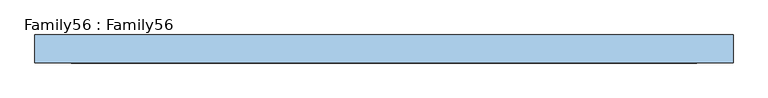
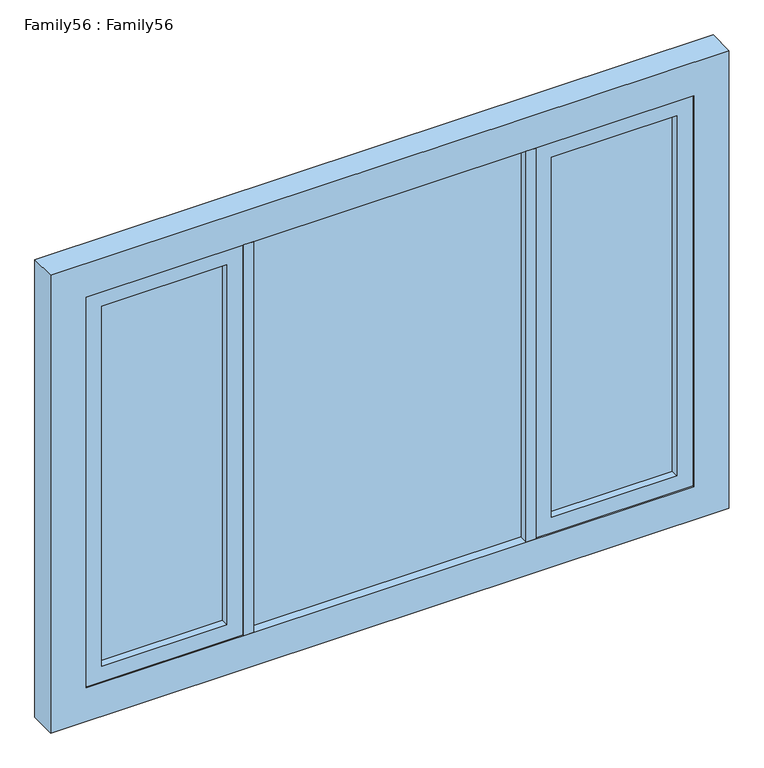
"""IFC4 building model written with IfcOpenShell, lengths in millimetres: window geometry, Family56 : Family56."""

from ifc_helpers import new_model, si_unit, frame, origin, place, context, project, spatial, polyline, outline, extrude, source, transform, mapped, element, save


def family56_family56_72e6e048(model_context):
    return source(origin(), model_context, "Body", "SweptSolid", [
        extrude(outline(polyline([(420.0, 14.0), (420.0, 10.0), (-420.0, 10.0), (-420.0, 14.0), (420.0, 14.0)])), frame((0.0, 0.0, 909.0), z_axis=(0.0, 0.0, 1.0), x_axis=(1.0, 0.0, 0.0)), (0.0, 0.0, 1.0), 1272.0),
        extrude(outline(polyline([(-420.0, -10.0), (420.0, -10.0), (420.0, -14.0), (-420.0, -14.0), (-420.0, -10.0)])), frame((0.0, 0.0, 909.0), z_axis=(0.0, 0.0, 1.0), x_axis=(1.0, 0.0, 0.0)), (0.0, 0.0, 1.0), 1272.0),
        extrude(outline(polyline([(-500.0, 14.0), (-500.0, 10.0), (-886.0, 10.0), (-886.0, 14.0), (-500.0, 14.0)])), frame((0.0, 0.0, 959.0), z_axis=(0.0, 0.0, 1.0), x_axis=(1.0, 0.0, 0.0)), (0.0, 0.0, 1.0), 1172.0),
        extrude(outline(polyline([(-500.0, -10.0), (-500.0, -14.0), (-886.0, -14.0), (-886.0, -10.0), (-500.0, -10.0)])), frame((0.0, 0.0, 959.0), z_axis=(0.0, 0.0, 1.0), x_axis=(1.0, 0.0, 0.0)), (0.0, 0.0, 1.0), 1172.0),
        extrude(outline(polyline([(886.0, 14.0), (886.0, 10.0), (500.0, 10.0), (500.0, 14.0), (886.0, 14.0)])), frame((0.0, 0.0, 959.0), z_axis=(0.0, 0.0, 1.0), x_axis=(1.0, 0.0, 0.0)), (0.0, 0.0, 1.0), 1172.0),
        extrude(outline(polyline([(500.0, -10.0), (886.0, -10.0), (886.0, -14.0), (500.0, -14.0), (500.0, -10.0)])), frame((0.0, 0.0, 959.0), z_axis=(0.0, 0.0, 1.0), x_axis=(1.0, 0.0, 0.0)), (0.0, 0.0, 1.0), 1172.0),
        extrude(outline(polyline([(450.0, -42.0), (420.0, -42.0), (420.0, 42.0), (450.0, 42.0), (450.0, -42.0)])), frame((0.0, 0.0, 909.0), z_axis=(0.0, 0.0, 1.0), x_axis=(1.0, 0.0, 0.0)), (0.0, 0.0, 1.0), 1272.0),
        extrude(outline(polyline([(-420.0, -42.0), (-450.0, -42.0), (-450.0, 42.0), (-420.0, 42.0), (-420.0, -42.0)])), frame((0.0, 0.0, 909.0), z_axis=(0.0, 0.0, 1.0), x_axis=(1.0, 0.0, 0.0)), (0.0, 0.0, 1.0), 1272.0),
        extrude(outline(polyline([(2181.0, 450.0), (909.0, 450.0), (909.0, 936.0), (2181.0, 936.0), (2181.0, 450.0)]), holes=[polyline([(959.0, 500.0), (2131.0, 500.0), (2131.0, 886.0), (959.0, 886.0), (959.0, 500.0)])]), frame((0.0, -38.0, 0.0), z_axis=(0.0, 1.0, 0.0), x_axis=(0.0, 0.0, 1.0)), (0.0, 0.0, 1.0), 76.0),
        extrude(outline(polyline([(2181.0, -450.0), (2181.0, -936.0), (909.0, -936.0), (909.0, -450.0), (2181.0, -450.0)]), holes=[polyline([(959.0, -500.0), (959.0, -886.0), (2131.0, -886.0), (2131.0, -500.0), (959.0, -500.0)])]), frame((0.0, -38.0, 0.0), z_axis=(0.0, 1.0, 0.0), x_axis=(0.0, 0.0, 1.0)), (0.0, 0.0, 1.0), 76.0),
        extrude(outline(polyline([(2290.0, 1045.0), (2290.0, -1045.0), (800.0, -1045.0), (800.0, 1045.0), (2290.0, 1045.0)]), holes=[polyline([(909.0, 936.0), (909.0, -936.0), (2181.0, -936.0), (2181.0, 936.0), (909.0, 936.0)])]), frame((0.0, -42.0, 0.0), z_axis=(0.0, 1.0, 0.0), x_axis=(0.0, 0.0, 1.0)), (0.0, 0.0, 1.0), 84.0),
    ])


if __name__ == "__main__":
    model = new_model("IFC4")
    model_context = context("Model", 3, world=origin())
    ifc_project = project(units=[si_unit("LENGTHUNIT", "METRE", prefix="MILLI")], contexts=[model_context])
    site = spatial("IfcSite", under=ifc_project)
    building = spatial("IfcBuilding", under=site)
    placement = place(None, origin())
    family56_family56_shape = family56_family56_72e6e048(model_context)
    element("IfcWindow", 1, ObjectType="Family56 : Family56", at=placement, inside=building, context=model_context, shape_type="MappedRepresentation", body=[
        mapped(family56_family56_shape, transform((0.0, 0.0, 0.0), x_axis=(1.0, 0.0, 0.0), y_axis=(0.0, 1.0, 0.0), z_axis=(0.0, 0.0, 1.0))),
    ])
    save(model, "model.ifc")
